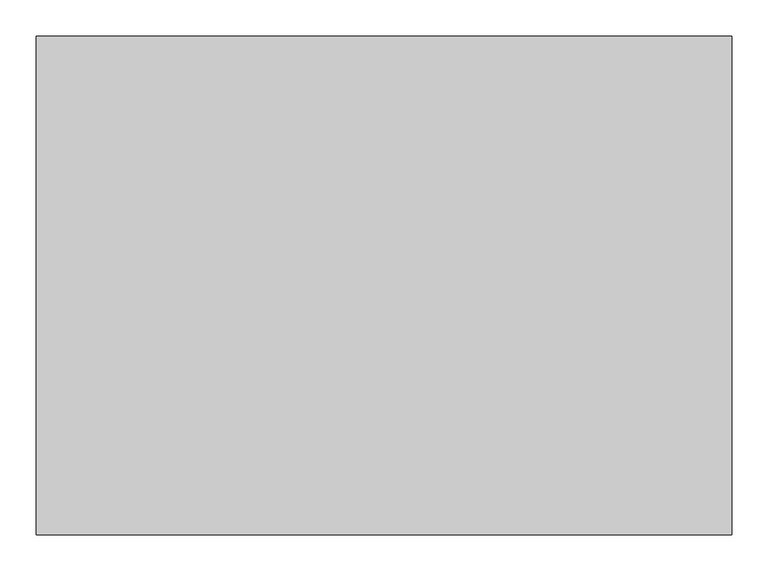
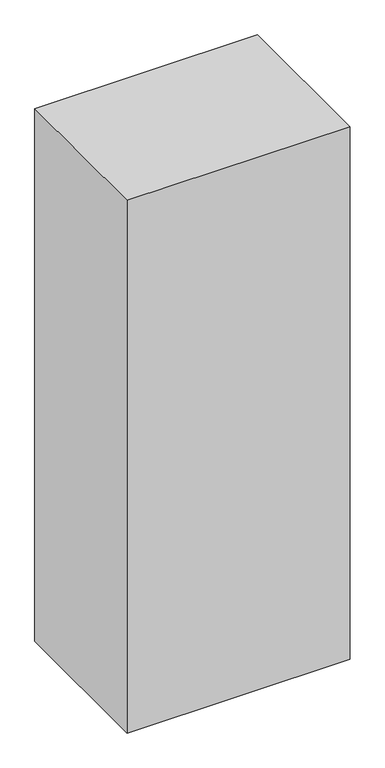
"""IFC4 building model written with IfcOpenShell, lengths in millimetres: proxy geometry."""

from ifc_helpers import new_model, si_unit, origin, origin_with_axes, place, context, project, spatial, polyline, outline, extrude, source, transform, mapped, element, save


def generic_models_7c6f0f4c(model_context):
    return source(origin(), model_context, "Body", "SweptSolid", [
        extrude(outline(polyline([(457.2, -139.065), (457.2, -205.74), (-457.2, -205.74), (-457.2, -139.065), (457.2, -139.065)])), origin_with_axes(), (0.0, 0.0, 1.0), 2343.15),
        extrude(outline(polyline([(457.2, -24.13), (457.2, -90.805), (-457.2, -90.805), (-457.2, -24.13), (457.2, -24.13)])), origin_with_axes(), (0.0, 0.0, 1.0), 2343.15),
        extrude(outline(polyline([(457.2, 90.805), (457.2, 24.13), (-457.2, 24.13), (-457.2, 90.805), (457.2, 90.805)])), origin_with_axes(), (0.0, 0.0, 1.0), 2343.15),
        extrude(outline(polyline([(457.2, 205.74), (457.2, 139.065), (-457.2, 139.065), (-457.2, 205.74), (457.2, 205.74)])), origin_with_axes(), (0.0, 0.0, 1.0), 2343.15),
        extrude(outline(polyline([(457.2, -254.0), (457.2, -320.675), (-457.2, -320.675), (-457.2, -254.0), (457.2, -254.0)])), origin_with_axes(), (0.0, 0.0, 1.0), 2343.15),
        extrude(outline(polyline([(457.2, 320.675), (457.2, 254.0), (-457.2, 254.0), (-457.2, 320.675), (457.2, 320.675)])), origin_with_axes(), (0.0, 0.0, 1.0), 2343.15),
        extrude(outline(polyline([(482.6, 346.075), (482.6, -346.075), (-482.6, -346.075), (-482.6, 346.075), (482.6, 346.075)])), origin_with_axes(), (0.0, 0.0, 1.0), 2438.4),
    ])


if __name__ == "__main__":
    model = new_model("IFC4")
    model_context = context("Model", 3, world=origin())
    ifc_project = project(units=[si_unit("LENGTHUNIT", "METRE", prefix="MILLI")], contexts=[model_context])
    site = spatial("IfcSite", under=ifc_project)
    building = spatial("IfcBuilding", under=site)
    placement = place(None, origin())
    generic_models_shape = generic_models_7c6f0f4c(model_context)
    element("IfcBuildingElementProxy", 1, Name="Generic Models", at=placement, inside=building, context=model_context, shape_type="MappedRepresentation", body=[
        mapped(generic_models_shape, transform((0.0, 0.0, 0.0), x_axis=(1.0, 0.0, 0.0), y_axis=(0.0, 1.0, 0.0), z_axis=(0.0, 0.0, 1.0))),
    ])
    save(model, "model.ifc")
